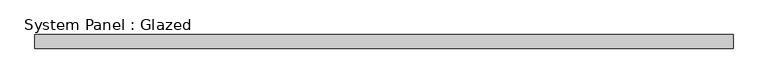
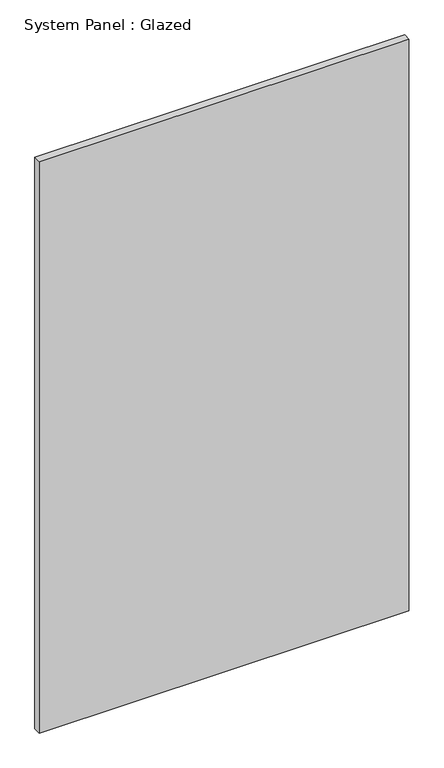
"""IFC4 building model written with IfcOpenShell, lengths in millimetres: plate geometry, System Panel : Glazed."""

from ifc_helpers import new_model, si_unit, origin, origin_with_axes, place, context, project, spatial, polyline, outline, extrude, source, transform, mapped, element, save


def system_panel_glazed_184d680b(model_context):
    return source(origin(), model_context, "Body", "SweptSolid", [
        extrude(outline(polyline([(633.1957079, 19.05), (-633.1957079, 19.05), (-633.1957079, 44.45), (633.1957079, 44.45), (633.1957079, 19.05)])), origin_with_axes(), (0.0, 0.0, 1.0), 2070.1),
    ])


if __name__ == "__main__":
    model = new_model("IFC4")
    model_context = context("Model", 3, world=origin())
    ifc_project = project(units=[si_unit("LENGTHUNIT", "METRE", prefix="MILLI")], contexts=[model_context])
    site = spatial("IfcSite", under=ifc_project)
    building = spatial("IfcBuilding", under=site)
    placement = place(None, origin())
    system_panel_glazed_shape = system_panel_glazed_184d680b(model_context)
    element("IfcPlate", 1, ObjectType="System Panel : Glazed", at=placement, inside=building, context=model_context, shape_type="MappedRepresentation", body=[
        mapped(system_panel_glazed_shape, transform((0.0, 0.0, 0.0), x_axis=(1.0, 0.0, 0.0), y_axis=(0.0, 1.0, 0.0), z_axis=(0.0, 0.0, 1.0))),
    ])
    save(model, "model.ifc")
